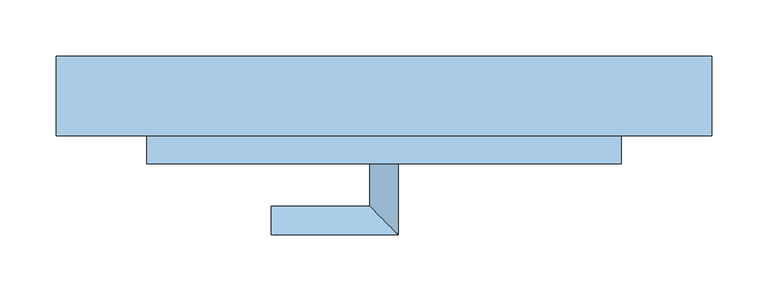
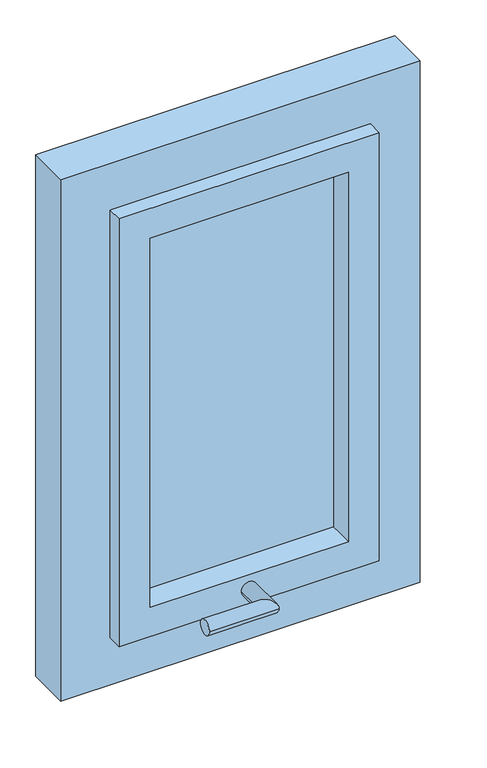
"""IFC4 building model written with IfcOpenShell, lengths in millimetres: window geometry."""

from ifc_helpers import new_model, si_unit, frame, origin, place, context, project, spatial, polyline, circle_curve, ellipse_curve, outline, extrude, faceted_brep, source, transform, mapped, element, save
from ifc_brep_helpers import plane_surface, cylinder_surface, advanced_brep


def window_22ff8bc4(model_context):
    return source(origin(), model_context, "Body", "SolidModel", [
        advanced_brep(
        [(244.3584094, -139.9407167, 1005.0), (269.3584094, -139.9407167, 1005.0), (244.3584094, -177.4407167, 1005.0), (269.3584094, -202.4407167, 1005.0), (156.8584094, -177.4407167, 1005.0), (156.8584094, -202.4407167, 1005.0)],
        [
            (0, 1, circle_curve(frame((256.8584094, -139.9407167, 1005.0), z_axis=(0.0, 1.0, 0.0), x_axis=(1.0, 0.0, 0.0)), 12.5)),
            (1, 0, circle_curve(frame((256.8584094, -139.9407167, 1005.0), z_axis=(0.0, 1.0, 0.0), x_axis=(1.0, 0.0, 0.0)), 12.5)),
            (0, 2),
            (2, 3, ellipse_curve(frame((256.8584094, -189.9407167, 1005.0), z_axis=(0.7071067811865475, 0.7071067811865475, 0.0), x_axis=(-0.7071067811865474, 0.7071067811865476, 0.0)), 17.6776695, 12.5)),
            (3, 1),
            (3, 2, ellipse_curve(frame((256.8584094, -189.9407167, 1005.0), z_axis=(0.7071067811865475, 0.7071067811865475, 0.0), x_axis=(-0.7071067811865474, 0.7071067811865476, 0.0)), 17.6776695, 12.5)),
            (4, 5, circle_curve(frame((156.8584094, -189.9407167, 1005.0), z_axis=(-1.0, 0.0, 0.0), x_axis=(0.0, -1.0, 0.0)), 12.5)),
            (5, 4, circle_curve(frame((156.8584094, -189.9407167, 1005.0), z_axis=(-1.0, 0.0, 0.0), x_axis=(0.0, -1.0, 0.0)), 12.5)),
            (2, 4),
            (5, 3),
        ],
        [
            plane_surface(frame((256.8584094, -139.9407167, 1005.0), z_axis=(0.0, 1.0, 0.0), x_axis=(0.0, 0.0, 1.0))),
            cylinder_surface(frame((256.8584094, -139.9407167, 1005.0), z_axis=(0.0, 1.0, 0.0), x_axis=(1.0, 0.0, 0.0)), 12.5),
            plane_surface(frame((156.8584094, -189.9407167, 1005.0), z_axis=(-1.0, 0.0, 0.0), x_axis=(0.0, 0.0, 1.0))),
            cylinder_surface(frame((256.8584094, -189.9407167, 1005.0), z_axis=(1.0, 0.0, 0.0), x_axis=(0.0, -1.0, 0.0)), 12.5),
        ],
        [
            (0, [[1, 2]]),
            (1, [[-1, 3, 4, 5]]),
            (1, [[-2, -5, 6, -3]]),
            (2, [[7, 8]]),
            (3, [[-4, 9, -8, 10]]),
            (3, [[-6, -10, -7, -9]]),
        ],
    ),
        extrude(outline(polyline([(416.8584094, -90.9407167), (416.8584094, -98.9407167), (96.8584094, -98.9407167), (96.8584094, -90.9407167), (416.8584094, -90.9407167)])), frame((0.0, 0.0, 1030.0), z_axis=(0.0, 0.0, 1.0), x_axis=(1.0, 0.0, 0.0)), (0.0, 0.0, 1.0), 630.0),
        faceted_brep([(46.8584094, -69.9407167, 980.0), (466.8584094, -69.9407167, 980.0), (466.8584094, -114.9407167, 980.0), (466.8584094, -139.9407167, 980.0), (46.8584094, -139.9407167, 980.0), (46.8584094, -114.9407167, 980.0), (96.8584094, -69.9407167, 1030.0), (96.8584094, -139.9407167, 1030.0), (416.8584094, -139.9407167, 1030.0), (416.8584094, -69.9407167, 1030.0), (466.8584094, -69.9407167, 1710.0), (466.8584094, -114.9407167, 1710.0), (466.8584094, -139.9407167, 1710.0), (416.8584094, -139.9407167, 1660.0), (416.8584094, -69.9407167, 1660.0), (46.8584094, -69.9407167, 1710.0), (46.8584094, -114.9407167, 1710.0), (46.8584094, -139.9407167, 1710.0), (96.8584094, -139.9407167, 1660.0), (96.8584094, -69.9407167, 1660.0)], [[[0, 1, 2, 3, 4, 5]], [[6, 7, 8, 9]], [[1, 10, 11, 12, 3, 2]], [[9, 8, 13, 14]], [[10, 15, 16, 17, 12, 11]], [[14, 13, 18, 19]], [[1, 0, 15, 10], [6, 9, 14, 19]], [[15, 0, 5, 4, 17, 16]], [[4, 3, 12, 17], [8, 7, 18, 13]], [[7, 6, 19, 18]]]),
        extrude(outline(polyline([(1790.0, 546.8584094), (1790.0, -33.1415906), (900.0, -33.1415906), (900.0, 546.8584094), (1790.0, 546.8584094)]), holes=[polyline([(1710.0, 46.8584094), (1710.0, 466.8584094), (980.0, 466.8584094), (980.0, 46.8584094), (1710.0, 46.8584094)])]), frame((0.0, -114.9407167, 0.0), z_axis=(0.0, 1.0, 0.0), x_axis=(0.0, 0.0, 1.0)), (0.0, 0.0, 1.0), 70.0),
    ])


if __name__ == "__main__":
    model = new_model("IFC4")
    model_context = context("Model", 3, world=origin())
    ifc_project = project(units=[si_unit("LENGTHUNIT", "METRE", prefix="MILLI")], contexts=[model_context])
    site = spatial("IfcSite", under=ifc_project)
    building = spatial("IfcBuilding", under=site)
    placement = place(None, origin())
    window_shape = window_22ff8bc4(model_context)
    element("IfcWindow", 1, at=placement, inside=building, context=model_context, shape_type="MappedRepresentation", body=[
        mapped(window_shape, transform((0.0, 0.0, 0.0), x_axis=(1.0, 0.0, 0.0), y_axis=(0.0, 1.0, 0.0), z_axis=(0.0, 0.0, 1.0))),
    ])
    save(model, "model.ifc")
